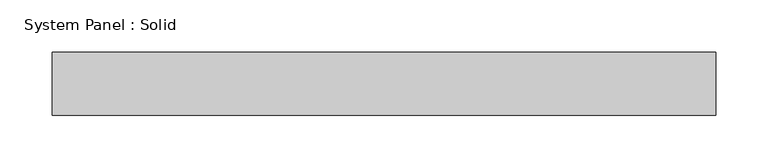
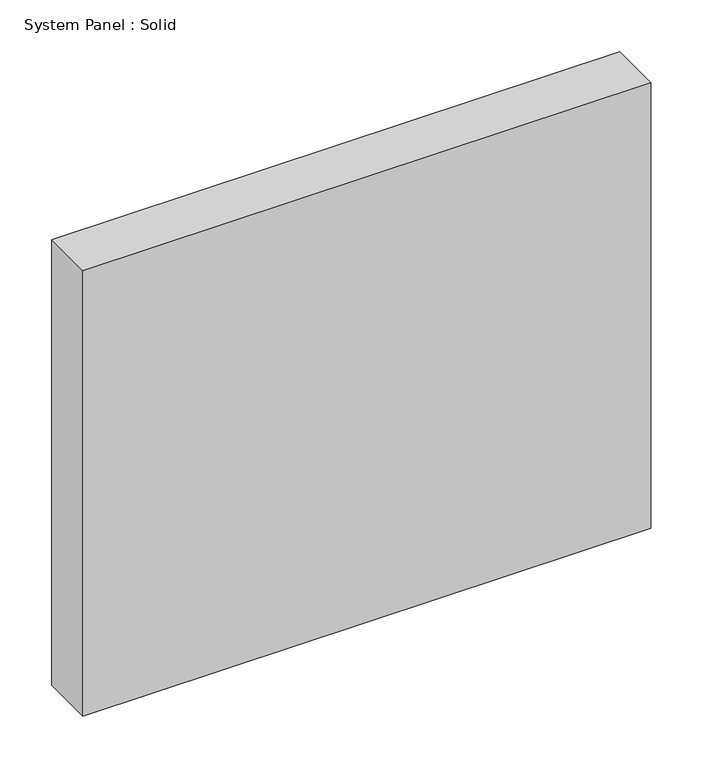
"""IFC4 building model written with IfcOpenShell, lengths in millimetres: plate geometry, System Panel : Solid."""

from ifc_helpers import new_model, si_unit, origin, origin_with_axes, place, context, project, spatial, polyline, outline, extrude, source, transform, mapped, element, save


def system_panel_solid_067efa76(model_context):
    return source(origin(), model_context, "Body", "SweptSolid", [
        extrude(outline(polyline([(316.6666667, -49.5), (-316.6666667, -49.5), (-316.6666667, 10.5), (316.6666667, 10.5), (316.6666667, -49.5)])), origin_with_axes(), (0.0, 0.0, 1.0), 525.0),
    ])


if __name__ == "__main__":
    model = new_model("IFC4")
    model_context = context("Model", 3, world=origin())
    ifc_project = project(units=[si_unit("LENGTHUNIT", "METRE", prefix="MILLI")], contexts=[model_context])
    site = spatial("IfcSite", under=ifc_project)
    building = spatial("IfcBuilding", under=site)
    placement = place(None, origin())
    system_panel_solid_shape = system_panel_solid_067efa76(model_context)
    element("IfcPlate", 1, ObjectType="System Panel : Solid", at=placement, inside=building, context=model_context, shape_type="MappedRepresentation", body=[
        mapped(system_panel_solid_shape, transform((0.0, 0.0, 0.0), x_axis=(1.0, 0.0, 0.0), y_axis=(0.0, 1.0, 0.0), z_axis=(0.0, 0.0, 1.0))),
    ])
    save(model, "model.ifc")
